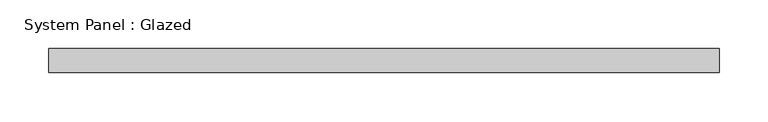
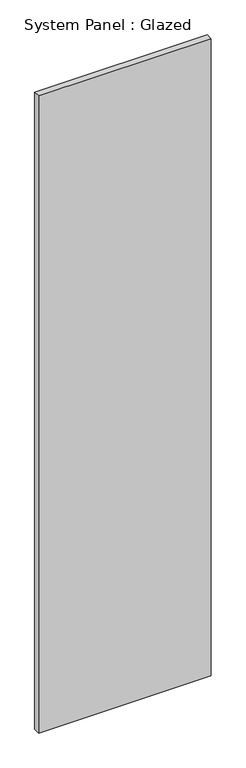
"""IFC4 building model written with IfcOpenShell, lengths in millimetres: plate geometry, System Panel : Glazed."""

import ifcopenshell
import ifcopenshell.guid

model = None  # the IFC model being written
_history = None  # IfcOwnerHistory: only IFC2X3 demands one
_inside = {}  # id of a spatial element -> (the spatial element, [elements in it])
_under = {}  # id of a project, library or spatial element -> (it, [spatial elements below it])
_declared = {}  # id of a project -> (the project, [libraries it declares])
_typed = {}  # id of a type object -> (the type object, [elements of that type])
_made_of = {}  # id of a material, layer set ... -> (it, [elements and type objects made of it])


def new_model(schema):
    """Start an empty IFC model of exactly this schema.

    Asked for "IFC4X3", IfcOpenShell would pick the latest addendum, in which some entities
    have other attributes; the version numbers below select the first issue.
    IFC2X3 requires an IfcOwnerHistory on every rooted entity: one is made here for all.
    """
    global model, _history
    if schema == "IFC4X3":
        model = ifcopenshell.file(schema_version=(4, 3, 0, 0))
    else:
        model = ifcopenshell.file(schema=schema)
    _inside.clear()
    _under.clear()
    _declared.clear()
    _typed.clear()
    _made_of.clear()
    _history = None
    if model.schema == "IFC2X3":
        org = make("IfcOrganization", Name="unknown")
        user = make(
            "IfcPersonAndOrganization",
            ThePerson=make("IfcPerson", FamilyName="unknown"),
            TheOrganization=org,
        )
        app = make(
            "IfcApplication",
            ApplicationDeveloper=org,
            Version="unknown",
            ApplicationFullName="unknown",
            ApplicationIdentifier="unknown",
        )
        _history = make(
            "IfcOwnerHistory",
            OwningUser=user,
            OwningApplication=app,
            ChangeAction="ADDED",
            CreationDate=0,
        )
    return model


def make(cls, **values):
    """One entity of the class cls with the attributes given. An attribute that is None is left unset."""
    return model.create_entity(
        cls, **{name: value for name, value in values.items() if value is not None}
    )


def rooted(cls, **values):
    """An entity with a GlobalId (a new one), such as an element, a storey or a relation."""
    return make(cls, GlobalId=ifcopenshell.guid.new(), OwnerHistory=_history, **values)


def si_unit(unit_type, name, prefix=None):
    """IfcSIUnit, for example si_unit("LENGTHUNIT", "METRE", prefix="MILLI")."""
    return make("IfcSIUnit", UnitType=unit_type, Prefix=prefix, Name=name)


def assignment(units):
    """IfcUnitAssignment: the units of a project."""
    return None if units is None else make("IfcUnitAssignment", Units=units)


def point(xyz):
    """IfcCartesianPoint."""
    return None if xyz is None else make("IfcCartesianPoint", Coordinates=xyz)


def direction(xyz):
    """IfcDirection."""
    return None if xyz is None else make("IfcDirection", DirectionRatios=xyz)


def frame(location, z_axis=None, x_axis=None):
    """IfcAxis2Placement3D, a coordinate frame: its origin and axes. An axis left out is left unset."""
    return make(
        "IfcAxis2Placement3D",
        Location=point(location),
        Axis=direction(z_axis),
        RefDirection=direction(x_axis),
    )


def origin():
    """The frame at (0, 0, 0) with its axes left unset."""
    return frame((0.0, 0.0, 0.0))


def origin_with_axes():
    """The frame at (0, 0, 0) with the z axis (0, 0, 1) and the x axis (1, 0, 0) written out."""
    return frame((0.0, 0.0, 0.0), z_axis=(0.0, 0.0, 1.0), x_axis=(1.0, 0.0, 0.0))


def place(relative_to, where):
    """IfcLocalPlacement: puts the frame where relative to a parent placement (None: the world)."""
    return make(
        "IfcLocalPlacement", PlacementRelTo=relative_to, RelativePlacement=where
    )


def context(
    kind, dimensions, precision=None, world=None, true_north=None, identifier=None
):
    """IfcGeometricRepresentationContext, for example the 3D "Model" context."""
    return make(
        "IfcGeometricRepresentationContext",
        ContextIdentifier=identifier,
        ContextType=kind,
        CoordinateSpaceDimension=dimensions,
        Precision=precision,
        WorldCoordinateSystem=world,
        TrueNorth=true_north,
    )


def project(units=None, contexts=None):
    """IfcProject with its units and contexts."""
    return rooted(
        "IfcProject",
        Name="project",
        RepresentationContexts=contexts,
        UnitsInContext=assignment(units),
    )


def spatial(cls, under=None, at=None, **own):
    """A site, building, storey or space (cls), placed at a placement, below another one or the project."""
    s = rooted(cls, ObjectPlacement=at, **own)
    if under is not None:
        _under.setdefault(under.id(), (under, []))[1].append(s)
    return s


def polyline(points):
    """IfcPolyline through the points."""
    return make("IfcPolyline", Points=[point(p) for p in points])


def outline(outer, holes=None, kind="AREA"):
    """IfcArbitraryClosedProfileDef: a profile drawn as a closed curve; with holes, ...WithVoids."""
    if holes is None:
        return make("IfcArbitraryClosedProfileDef", ProfileType=kind, OuterCurve=outer)
    return make(
        "IfcArbitraryProfileDefWithVoids",
        ProfileType=kind,
        OuterCurve=outer,
        InnerCurves=holes,
    )


def extrude(swept, where, along, depth):
    """IfcExtrudedAreaSolid: the profile swept, set in the frame where, extruded along a direction by depth."""
    return make(
        "IfcExtrudedAreaSolid",
        SweptArea=swept,
        Position=where,
        ExtrudedDirection=direction(along),
        Depth=depth,
    )


def shape(context_of_items, identifier, shape_type, items):
    """IfcShapeRepresentation: the items that make up one representation, for example the "Body"."""
    return make(
        "IfcShapeRepresentation",
        ContextOfItems=context_of_items,
        RepresentationIdentifier=identifier,
        RepresentationType=shape_type,
        Items=items,
    )


def source(mapping_origin, context_of_items, identifier, shape_type, items):
    """IfcRepresentationMap: a shape defined once, which mapped items show again and again."""
    return make(
        "IfcRepresentationMap",
        MappingOrigin=mapping_origin,
        MappedRepresentation=shape(context_of_items, identifier, shape_type, items),
    )


def transform(
    local_origin,
    x_axis=None,
    y_axis=None,
    z_axis=None,
    scale=None,
    scale2=None,
    scale3=None,
    uniform=True,
):
    """IfcCartesianTransformationOperator3D, or its non-uniform kind. x_axis, y_axis, z_axis: its Axis1, 2, 3."""
    if uniform:
        return make(
            "IfcCartesianTransformationOperator3D",
            Axis1=direction(x_axis),
            Axis2=direction(y_axis),
            LocalOrigin=point(local_origin),
            Scale=scale,
            Axis3=direction(z_axis),
        )
    return make(
        "IfcCartesianTransformationOperator3DnonUniform",
        Axis1=direction(x_axis),
        Axis2=direction(y_axis),
        LocalOrigin=point(local_origin),
        Scale=scale,
        Axis3=direction(z_axis),
        Scale2=scale2,
        Scale3=scale3,
    )


def mapped(mapping_source, mapping_target):
    """IfcMappedItem: shows the shape of a source again, moved by a transform."""
    return make(
        "IfcMappedItem", MappingSource=mapping_source, MappingTarget=mapping_target
    )


def made_of(thing, what):
    """Note that an element or type object is made of a material, layer set ...; save() writes the relation."""
    if what is not None:
        _made_of.setdefault(what.id(), (what, []))[1].append(thing)
    return thing


def element(
    cls,
    number,
    at=None,
    inside=None,
    cuts=None,
    type_object=None,
    material=None,
    context=None,
    identifier="Body",
    shape_type=None,
    held_by="IfcProductDefinitionShape",
    body=None,
    shapes=None,
    **own,
):
    """One element of the class cls, such as IfcWall. Its Tag is "e" and its number.

    at: its placement. inside: the storey or other place that contains it. cuts: it is an
    opening in that element (IfcRelVoidsElement). A single representation is given by context,
    identifier, shape_type and body (its items); several are given by shapes. held_by: the class
    of the entity that holds the representations. save() writes the other relations.
    """
    e = rooted(cls, Tag="e%d" % number, ObjectPlacement=at, **own)
    if body is not None:
        shapes = [shape(context, identifier, shape_type, body)]
    if shapes is not None:
        e.Representation = make(held_by, Representations=shapes)
    if inside is not None:
        _inside.setdefault(inside.id(), (inside, []))[1].append(e)
    if cuts is not None:
        rooted(
            "IfcRelVoidsElement", RelatingBuildingElement=cuts, RelatedOpeningElement=e
        )
    if type_object is not None:
        _typed.setdefault(type_object.id(), (type_object, []))[1].append(e)
    return made_of(e, material)


def aggregate(whole, parts):
    """IfcRelAggregates: a whole, such as a stair, and the parts it consists of."""
    return rooted("IfcRelAggregates", RelatingObject=whole, RelatedObjects=parts)


def save(model, path):
    """Write the relations noted so far, then the file.

    IfcRelAggregates (storeys below a building ...), IfcRelContainedInSpatialStructure (elements
    in a storey), IfcRelDefinesByType, IfcRelAssociatesMaterial and IfcRelDeclares: one each for
    every whole, place, type object, material and project.
    """
    for whole, parts in _under.values():
        aggregate(whole, parts)
    for where, things in _inside.values():
        rooted(
            "IfcRelContainedInSpatialStructure",
            RelatedElements=things,
            RelatingStructure=where,
        )
    for kind, things in _typed.values():
        rooted("IfcRelDefinesByType", RelatedObjects=things, RelatingType=kind)
    for what, things in _made_of.values():
        rooted("IfcRelAssociatesMaterial", RelatedObjects=things, RelatingMaterial=what)
    for by, libraries in _declared.values():
        rooted("IfcRelDeclares", RelatingContext=by, RelatedDefinitions=libraries)
    model.write(path)


def system_panel_glazed_4079127e(model_context):
    return source(origin(), model_context, "Body", "SweptSolid", [
        extrude(outline(polyline([(344.8108115, 24.5), (-344.8108115, 24.5), (-344.8108115, 49.5), (344.8108115, 49.5), (344.8108115, 24.5)])), origin_with_axes(), (0.0, 0.0, 1.0), 2690.0),
    ])


if __name__ == "__main__":
    model = new_model("IFC4")
    model_context = context("Model", 3, world=origin())
    ifc_project = project(units=[si_unit("LENGTHUNIT", "METRE", prefix="MILLI")], contexts=[model_context])
    site = spatial("IfcSite", under=ifc_project)
    building = spatial("IfcBuilding", under=site)
    placement = place(None, origin())
    system_panel_glazed_shape = system_panel_glazed_4079127e(model_context)
    element("IfcPlate", 1, ObjectType="System Panel : Glazed", at=placement, inside=building, context=model_context, shape_type="MappedRepresentation", body=[
        mapped(system_panel_glazed_shape, transform((0.0, 0.0, 0.0), x_axis=(1.0, 0.0, 0.0), y_axis=(0.0, 1.0, 0.0), z_axis=(0.0, 0.0, 1.0))),
    ])
    save(model, "model.ifc")
